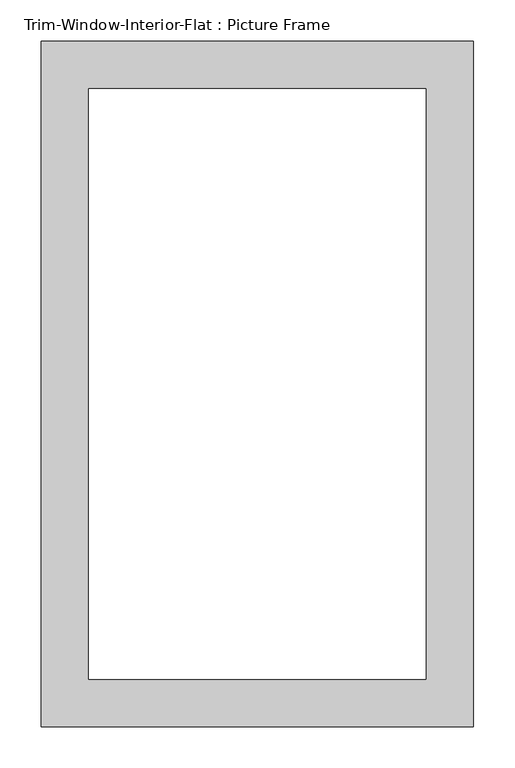
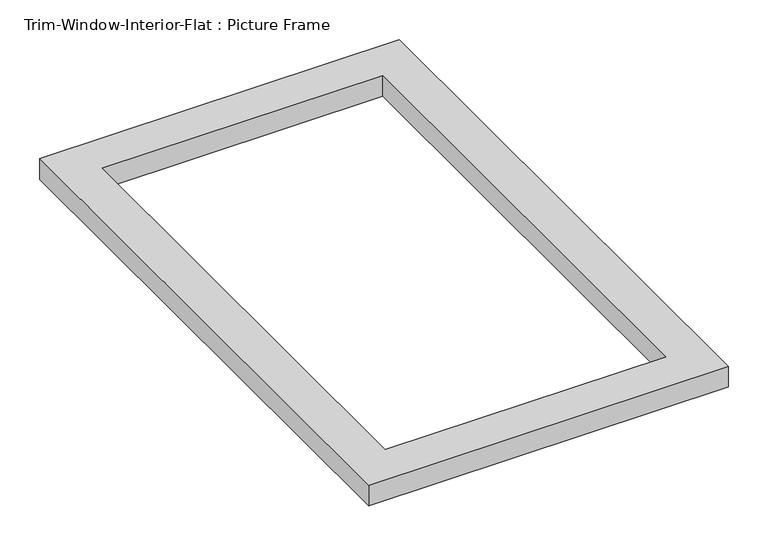
"""IFC4 building model written with IfcOpenShell, lengths in millimetres: proxy geometry, Trim-Window-Interior-Flat : Picture Frame."""

from ifc_helpers import new_model, si_unit, origin, origin_with_axes, place, context, project, spatial, polyline, outline, extrude, source, transform, mapped, element, save


def trim_window_interior_flat_picture_frame_fd1323f7(model_context):
    return source(origin(), model_context, "Body", "SweptSolid", [
        extrude(outline(polyline([(260.35, 44.45), (260.35, -781.05), (-260.35, -781.05), (-260.35, 44.45), (260.35, 44.45)]), holes=[polyline([(203.2, -12.7), (-203.2, -12.7), (-203.2, -723.9), (203.2, -723.9), (203.2, -12.7)])]), origin_with_axes(), (0.0, 0.0, 1.0), 31.75),
    ])


if __name__ == "__main__":
    model = new_model("IFC4")
    model_context = context("Model", 3, world=origin())
    ifc_project = project(units=[si_unit("LENGTHUNIT", "METRE", prefix="MILLI")], contexts=[model_context])
    site = spatial("IfcSite", under=ifc_project)
    building = spatial("IfcBuilding", under=site)
    placement = place(None, origin())
    trim_window_interior_flat_picture_frame_shape = trim_window_interior_flat_picture_frame_fd1323f7(model_context)
    element("IfcBuildingElementProxy", 1, Name="Trim-Window-Interior-Flat : Picture Frame", ObjectType="Trim-Window-Interior-Flat : Picture Frame", at=placement, inside=building, context=model_context, shape_type="MappedRepresentation", body=[
        mapped(trim_window_interior_flat_picture_frame_shape, transform((0.0, 0.0, 0.0), x_axis=(1.0, 0.0, 0.0), y_axis=(0.0, 1.0, 0.0), z_axis=(0.0, 0.0, 1.0))),
    ])
    save(model, "model.ifc")
